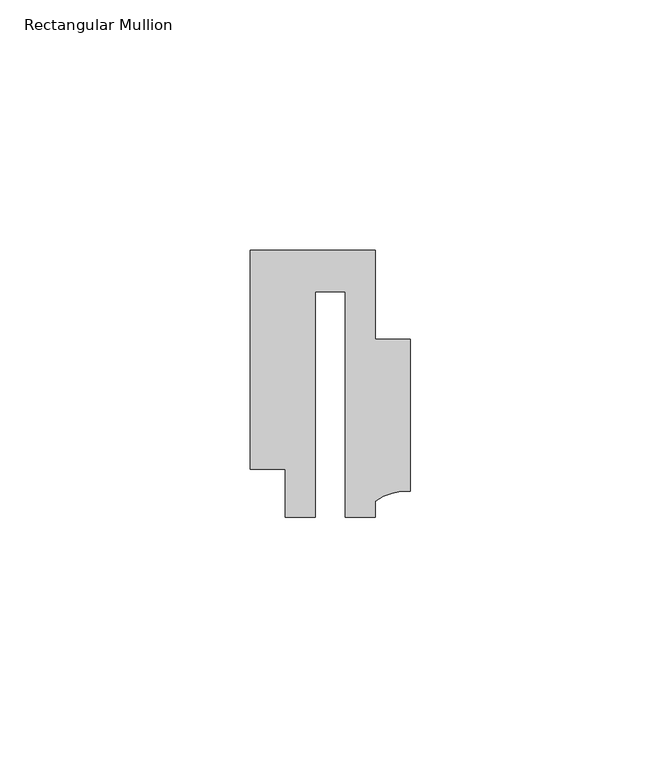
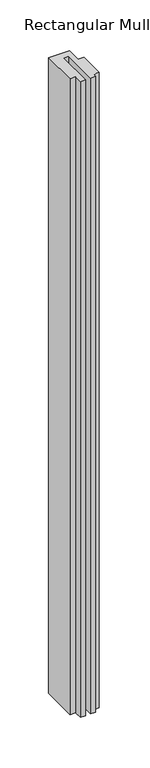
"""IFC4 building model written with IfcOpenShell, lengths in millimetres: member geometry, Rectangular Mullion."""

from ifc_helpers import new_model, si_unit, point, frame, frame_2d, origin, place, context, project, spatial, polyline, circle_curve, trimmed, segment, composite_curve, outline, extrude, source, transform, mapped, element, save


def rectangular_mullion_16a75c38(model_context):
    return source(origin(), model_context, "Body", "SweptSolid", [
        extrude(outline(composite_curve([segment(polyline([(15.9999391, 14.9953356), (15.9999391, -15.3837352)]), True, "CONTINUOUS"), segment(trimmed(circle_curve(frame_2d((15.1098019, -25.802169)), 10.4563907), [point((15.9999391, -15.3837352))], [point((8.9999842, -17.3165203))], True, "CARTESIAN"), True, "CONTINUOUS"), segment(polyline([(8.9999842, -17.3165203), (8.9999842, -20.5039877), (2.9999676, -20.5039877), (2.9999676, 24.5130805), (-2.9999659, 24.5130805), (-2.9999659, -20.5039877), (-8.9999842, -20.5039877), (-8.9999842, -11.0039877), (-15.9999391, -11.0039877), (-15.9999391, 32.7960123), (9.0, 32.7960123), (9.0, 14.9953356), (15.9999391, 14.9953356)]), True, "CONTINUOUS")], self_intersect=False)), frame((0.0, 0.0, -796.4529049), z_axis=(0.0, 0.0, 1.0), x_axis=(1.0, 0.0, 0.0)), (0.0, 0.0, 1.0), 796.4529049),
    ])


if __name__ == "__main__":
    model = new_model("IFC4")
    model_context = context("Model", 3, world=origin())
    ifc_project = project(units=[si_unit("LENGTHUNIT", "METRE", prefix="MILLI")], contexts=[model_context])
    site = spatial("IfcSite", under=ifc_project)
    building = spatial("IfcBuilding", under=site)
    placement = place(None, origin())
    rectangular_mullion_shape = rectangular_mullion_16a75c38(model_context)
    element("IfcMember", 1, ObjectType="Rectangular Mullion", at=placement, inside=building, context=model_context, shape_type="MappedRepresentation", body=[
        mapped(rectangular_mullion_shape, transform((0.0, 0.0, 0.0), x_axis=(1.0, 0.0, 0.0), y_axis=(0.0, 1.0, 0.0), z_axis=(0.0, 0.0, 1.0))),
    ])
    save(model, "model.ifc")
